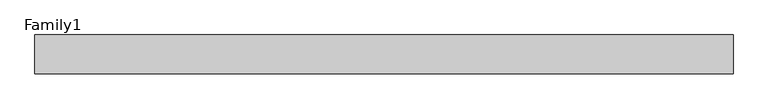
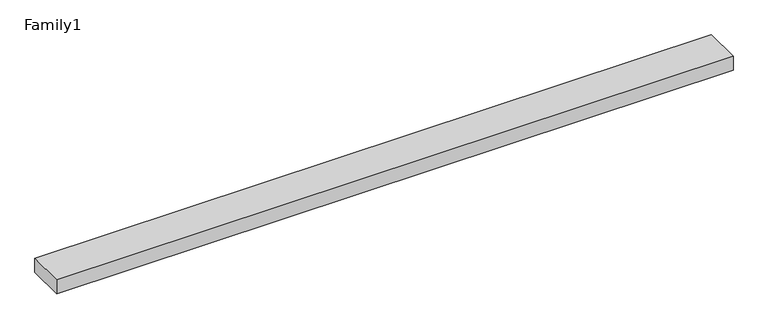
"""IFC4 building model written with IfcOpenShell, lengths in millimetres: proxy geometry, Family1."""

import ifcopenshell
import ifcopenshell.guid

model = None  # the IFC model being written
_history = None  # IfcOwnerHistory: only IFC2X3 demands one
_inside = {}  # id of a spatial element -> (the spatial element, [elements in it])
_under = {}  # id of a project, library or spatial element -> (it, [spatial elements below it])
_declared = {}  # id of a project -> (the project, [libraries it declares])
_typed = {}  # id of a type object -> (the type object, [elements of that type])
_made_of = {}  # id of a material, layer set ... -> (it, [elements and type objects made of it])


def new_model(schema):
    """Start an empty IFC model of exactly this schema.

    Asked for "IFC4X3", IfcOpenShell would pick the latest addendum, in which some entities
    have other attributes; the version numbers below select the first issue.
    IFC2X3 requires an IfcOwnerHistory on every rooted entity: one is made here for all.
    """
    global model, _history
    if schema == "IFC4X3":
        model = ifcopenshell.file(schema_version=(4, 3, 0, 0))
    else:
        model = ifcopenshell.file(schema=schema)
    _inside.clear()
    _under.clear()
    _declared.clear()
    _typed.clear()
    _made_of.clear()
    _history = None
    if model.schema == "IFC2X3":
        org = make("IfcOrganization", Name="unknown")
        user = make(
            "IfcPersonAndOrganization",
            ThePerson=make("IfcPerson", FamilyName="unknown"),
            TheOrganization=org,
        )
        app = make(
            "IfcApplication",
            ApplicationDeveloper=org,
            Version="unknown",
            ApplicationFullName="unknown",
            ApplicationIdentifier="unknown",
        )
        _history = make(
            "IfcOwnerHistory",
            OwningUser=user,
            OwningApplication=app,
            ChangeAction="ADDED",
            CreationDate=0,
        )
    return model


def make(cls, **values):
    """One entity of the class cls with the attributes given. An attribute that is None is left unset."""
    return model.create_entity(
        cls, **{name: value for name, value in values.items() if value is not None}
    )


def rooted(cls, **values):
    """An entity with a GlobalId (a new one), such as an element, a storey or a relation."""
    return make(cls, GlobalId=ifcopenshell.guid.new(), OwnerHistory=_history, **values)


def si_unit(unit_type, name, prefix=None):
    """IfcSIUnit, for example si_unit("LENGTHUNIT", "METRE", prefix="MILLI")."""
    return make("IfcSIUnit", UnitType=unit_type, Prefix=prefix, Name=name)


def assignment(units):
    """IfcUnitAssignment: the units of a project."""
    return None if units is None else make("IfcUnitAssignment", Units=units)


def point(xyz):
    """IfcCartesianPoint."""
    return None if xyz is None else make("IfcCartesianPoint", Coordinates=xyz)


def direction(xyz):
    """IfcDirection."""
    return None if xyz is None else make("IfcDirection", DirectionRatios=xyz)


def frame(location, z_axis=None, x_axis=None):
    """IfcAxis2Placement3D, a coordinate frame: its origin and axes. An axis left out is left unset."""
    return make(
        "IfcAxis2Placement3D",
        Location=point(location),
        Axis=direction(z_axis),
        RefDirection=direction(x_axis),
    )


def origin():
    """The frame at (0, 0, 0) with its axes left unset."""
    return frame((0.0, 0.0, 0.0))


def origin_with_axes():
    """The frame at (0, 0, 0) with the z axis (0, 0, 1) and the x axis (1, 0, 0) written out."""
    return frame((0.0, 0.0, 0.0), z_axis=(0.0, 0.0, 1.0), x_axis=(1.0, 0.0, 0.0))


def place(relative_to, where):
    """IfcLocalPlacement: puts the frame where relative to a parent placement (None: the world)."""
    return make(
        "IfcLocalPlacement", PlacementRelTo=relative_to, RelativePlacement=where
    )


def context(
    kind, dimensions, precision=None, world=None, true_north=None, identifier=None
):
    """IfcGeometricRepresentationContext, for example the 3D "Model" context."""
    return make(
        "IfcGeometricRepresentationContext",
        ContextIdentifier=identifier,
        ContextType=kind,
        CoordinateSpaceDimension=dimensions,
        Precision=precision,
        WorldCoordinateSystem=world,
        TrueNorth=true_north,
    )


def project(units=None, contexts=None):
    """IfcProject with its units and contexts."""
    return rooted(
        "IfcProject",
        Name="project",
        RepresentationContexts=contexts,
        UnitsInContext=assignment(units),
    )


def spatial(cls, under=None, at=None, **own):
    """A site, building, storey or space (cls), placed at a placement, below another one or the project."""
    s = rooted(cls, ObjectPlacement=at, **own)
    if under is not None:
        _under.setdefault(under.id(), (under, []))[1].append(s)
    return s


def polyline(points):
    """IfcPolyline through the points."""
    return make("IfcPolyline", Points=[point(p) for p in points])


def outline(outer, holes=None, kind="AREA"):
    """IfcArbitraryClosedProfileDef: a profile drawn as a closed curve; with holes, ...WithVoids."""
    if holes is None:
        return make("IfcArbitraryClosedProfileDef", ProfileType=kind, OuterCurve=outer)
    return make(
        "IfcArbitraryProfileDefWithVoids",
        ProfileType=kind,
        OuterCurve=outer,
        InnerCurves=holes,
    )


def extrude(swept, where, along, depth):
    """IfcExtrudedAreaSolid: the profile swept, set in the frame where, extruded along a direction by depth."""
    return make(
        "IfcExtrudedAreaSolid",
        SweptArea=swept,
        Position=where,
        ExtrudedDirection=direction(along),
        Depth=depth,
    )


def shape(context_of_items, identifier, shape_type, items):
    """IfcShapeRepresentation: the items that make up one representation, for example the "Body"."""
    return make(
        "IfcShapeRepresentation",
        ContextOfItems=context_of_items,
        RepresentationIdentifier=identifier,
        RepresentationType=shape_type,
        Items=items,
    )


def source(mapping_origin, context_of_items, identifier, shape_type, items):
    """IfcRepresentationMap: a shape defined once, which mapped items show again and again."""
    return make(
        "IfcRepresentationMap",
        MappingOrigin=mapping_origin,
        MappedRepresentation=shape(context_of_items, identifier, shape_type, items),
    )


def transform(
    local_origin,
    x_axis=None,
    y_axis=None,
    z_axis=None,
    scale=None,
    scale2=None,
    scale3=None,
    uniform=True,
):
    """IfcCartesianTransformationOperator3D, or its non-uniform kind. x_axis, y_axis, z_axis: its Axis1, 2, 3."""
    if uniform:
        return make(
            "IfcCartesianTransformationOperator3D",
            Axis1=direction(x_axis),
            Axis2=direction(y_axis),
            LocalOrigin=point(local_origin),
            Scale=scale,
            Axis3=direction(z_axis),
        )
    return make(
        "IfcCartesianTransformationOperator3DnonUniform",
        Axis1=direction(x_axis),
        Axis2=direction(y_axis),
        LocalOrigin=point(local_origin),
        Scale=scale,
        Axis3=direction(z_axis),
        Scale2=scale2,
        Scale3=scale3,
    )


def mapped(mapping_source, mapping_target):
    """IfcMappedItem: shows the shape of a source again, moved by a transform."""
    return make(
        "IfcMappedItem", MappingSource=mapping_source, MappingTarget=mapping_target
    )


def made_of(thing, what):
    """Note that an element or type object is made of a material, layer set ...; save() writes the relation."""
    if what is not None:
        _made_of.setdefault(what.id(), (what, []))[1].append(thing)
    return thing


def element(
    cls,
    number,
    at=None,
    inside=None,
    cuts=None,
    type_object=None,
    material=None,
    context=None,
    identifier="Body",
    shape_type=None,
    held_by="IfcProductDefinitionShape",
    body=None,
    shapes=None,
    **own,
):
    """One element of the class cls, such as IfcWall. Its Tag is "e" and its number.

    at: its placement. inside: the storey or other place that contains it. cuts: it is an
    opening in that element (IfcRelVoidsElement). A single representation is given by context,
    identifier, shape_type and body (its items); several are given by shapes. held_by: the class
    of the entity that holds the representations. save() writes the other relations.
    """
    e = rooted(cls, Tag="e%d" % number, ObjectPlacement=at, **own)
    if body is not None:
        shapes = [shape(context, identifier, shape_type, body)]
    if shapes is not None:
        e.Representation = make(held_by, Representations=shapes)
    if inside is not None:
        _inside.setdefault(inside.id(), (inside, []))[1].append(e)
    if cuts is not None:
        rooted(
            "IfcRelVoidsElement", RelatingBuildingElement=cuts, RelatedOpeningElement=e
        )
    if type_object is not None:
        _typed.setdefault(type_object.id(), (type_object, []))[1].append(e)
    return made_of(e, material)


def aggregate(whole, parts):
    """IfcRelAggregates: a whole, such as a stair, and the parts it consists of."""
    return rooted("IfcRelAggregates", RelatingObject=whole, RelatedObjects=parts)


def save(model, path):
    """Write the relations noted so far, then the file.

    IfcRelAggregates (storeys below a building ...), IfcRelContainedInSpatialStructure (elements
    in a storey), IfcRelDefinesByType, IfcRelAssociatesMaterial and IfcRelDeclares: one each for
    every whole, place, type object, material and project.
    """
    for whole, parts in _under.values():
        aggregate(whole, parts)
    for where, things in _inside.values():
        rooted(
            "IfcRelContainedInSpatialStructure",
            RelatedElements=things,
            RelatingStructure=where,
        )
    for kind, things in _typed.values():
        rooted("IfcRelDefinesByType", RelatedObjects=things, RelatingType=kind)
    for what, things in _made_of.values():
        rooted("IfcRelAssociatesMaterial", RelatedObjects=things, RelatingMaterial=what)
    for by, libraries in _declared.values():
        rooted("IfcRelDeclares", RelatingContext=by, RelatedDefinitions=libraries)
    model.write(path)


def family1_f1f91f1f(model_context):
    return source(origin(), model_context, "Body", "SweptSolid", [
        extrude(outline(polyline([(90000.0, 0.0), (0.0, 0.0), (0.0, 5000.0), (90000.0, 5000.0), (90000.0, 0.0)])), origin_with_axes(), (0.0, 0.0, 1.0), 1958.0),
    ])


if __name__ == "__main__":
    model = new_model("IFC4")
    model_context = context("Model", 3, world=origin())
    ifc_project = project(units=[si_unit("LENGTHUNIT", "METRE", prefix="MILLI")], contexts=[model_context])
    site = spatial("IfcSite", under=ifc_project)
    building = spatial("IfcBuilding", under=site)
    placement = place(None, origin())
    family1_shape = family1_f1f91f1f(model_context)
    element("IfcBuildingElementProxy", 1, Name="Family1", ObjectType="Family1", at=placement, inside=building, context=model_context, shape_type="MappedRepresentation", body=[
        mapped(family1_shape, transform((0.0, 0.0, 0.0), x_axis=(1.0, 0.0, 0.0), y_axis=(0.0, 1.0, 0.0), z_axis=(0.0, 0.0, 1.0))),
    ])
    save(model, "model.ifc")
